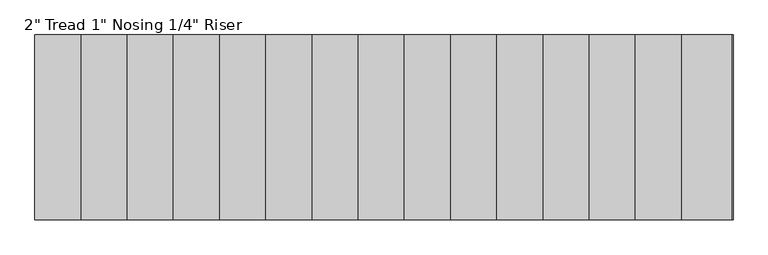
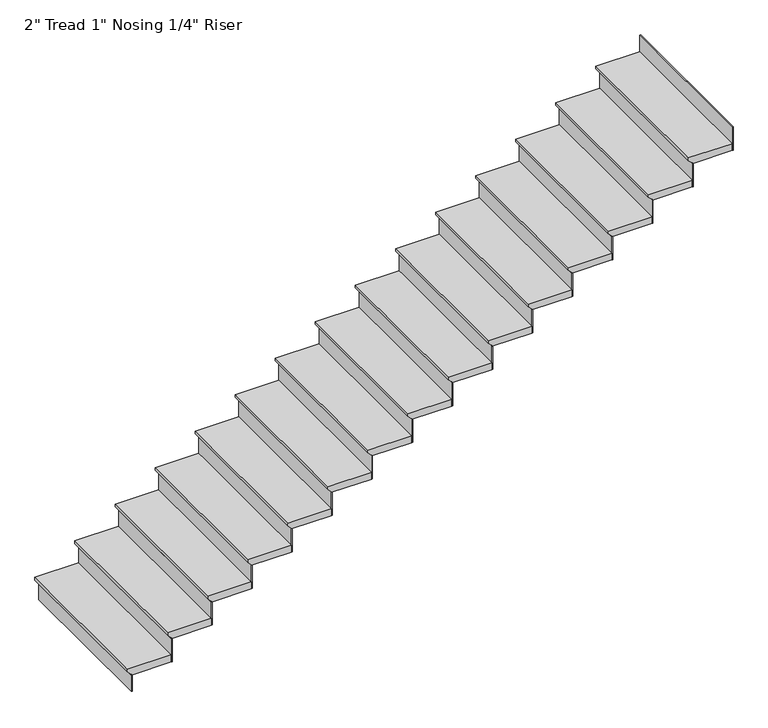
"""IFC4 building model written with IfcOpenShell, lengths in millimetres: stair flight geometry."""

import ifcopenshell
import ifcopenshell.guid

model = None  # the IFC model being written
_history = None  # IfcOwnerHistory: only IFC2X3 demands one
_inside = {}  # id of a spatial element -> (the spatial element, [elements in it])
_under = {}  # id of a project, library or spatial element -> (it, [spatial elements below it])
_declared = {}  # id of a project -> (the project, [libraries it declares])
_typed = {}  # id of a type object -> (the type object, [elements of that type])
_made_of = {}  # id of a material, layer set ... -> (it, [elements and type objects made of it])


def new_model(schema):
    """Start an empty IFC model of exactly this schema.

    Asked for "IFC4X3", IfcOpenShell would pick the latest addendum, in which some entities
    have other attributes; the version numbers below select the first issue.
    IFC2X3 requires an IfcOwnerHistory on every rooted entity: one is made here for all.
    """
    global model, _history
    if schema == "IFC4X3":
        model = ifcopenshell.file(schema_version=(4, 3, 0, 0))
    else:
        model = ifcopenshell.file(schema=schema)
    _inside.clear()
    _under.clear()
    _declared.clear()
    _typed.clear()
    _made_of.clear()
    _history = None
    if model.schema == "IFC2X3":
        org = make("IfcOrganization", Name="unknown")
        user = make(
            "IfcPersonAndOrganization",
            ThePerson=make("IfcPerson", FamilyName="unknown"),
            TheOrganization=org,
        )
        app = make(
            "IfcApplication",
            ApplicationDeveloper=org,
            Version="unknown",
            ApplicationFullName="unknown",
            ApplicationIdentifier="unknown",
        )
        _history = make(
            "IfcOwnerHistory",
            OwningUser=user,
            OwningApplication=app,
            ChangeAction="ADDED",
            CreationDate=0,
        )
    return model


def make(cls, **values):
    """One entity of the class cls with the attributes given. An attribute that is None is left unset."""
    return model.create_entity(
        cls, **{name: value for name, value in values.items() if value is not None}
    )


def rooted(cls, **values):
    """An entity with a GlobalId (a new one), such as an element, a storey or a relation."""
    return make(cls, GlobalId=ifcopenshell.guid.new(), OwnerHistory=_history, **values)


def si_unit(unit_type, name, prefix=None):
    """IfcSIUnit, for example si_unit("LENGTHUNIT", "METRE", prefix="MILLI")."""
    return make("IfcSIUnit", UnitType=unit_type, Prefix=prefix, Name=name)


def assignment(units):
    """IfcUnitAssignment: the units of a project."""
    return None if units is None else make("IfcUnitAssignment", Units=units)


def point(xyz):
    """IfcCartesianPoint."""
    return None if xyz is None else make("IfcCartesianPoint", Coordinates=xyz)


def direction(xyz):
    """IfcDirection."""
    return None if xyz is None else make("IfcDirection", DirectionRatios=xyz)


def frame(location, z_axis=None, x_axis=None):
    """IfcAxis2Placement3D, a coordinate frame: its origin and axes. An axis left out is left unset."""
    return make(
        "IfcAxis2Placement3D",
        Location=point(location),
        Axis=direction(z_axis),
        RefDirection=direction(x_axis),
    )


def origin():
    """The frame at (0, 0, 0) with its axes left unset."""
    return frame((0.0, 0.0, 0.0))


def place(relative_to, where):
    """IfcLocalPlacement: puts the frame where relative to a parent placement (None: the world)."""
    return make(
        "IfcLocalPlacement", PlacementRelTo=relative_to, RelativePlacement=where
    )


def context(
    kind, dimensions, precision=None, world=None, true_north=None, identifier=None
):
    """IfcGeometricRepresentationContext, for example the 3D "Model" context."""
    return make(
        "IfcGeometricRepresentationContext",
        ContextIdentifier=identifier,
        ContextType=kind,
        CoordinateSpaceDimension=dimensions,
        Precision=precision,
        WorldCoordinateSystem=world,
        TrueNorth=true_north,
    )


def project(units=None, contexts=None):
    """IfcProject with its units and contexts."""
    return rooted(
        "IfcProject",
        Name="project",
        RepresentationContexts=contexts,
        UnitsInContext=assignment(units),
    )


def spatial(cls, under=None, at=None, **own):
    """A site, building, storey or space (cls), placed at a placement, below another one or the project."""
    s = rooted(cls, ObjectPlacement=at, **own)
    if under is not None:
        _under.setdefault(under.id(), (under, []))[1].append(s)
    return s


def polyline(points):
    """IfcPolyline through the points."""
    return make("IfcPolyline", Points=[point(p) for p in points])


def outline(outer, holes=None, kind="AREA"):
    """IfcArbitraryClosedProfileDef: a profile drawn as a closed curve; with holes, ...WithVoids."""
    if holes is None:
        return make("IfcArbitraryClosedProfileDef", ProfileType=kind, OuterCurve=outer)
    return make(
        "IfcArbitraryProfileDefWithVoids",
        ProfileType=kind,
        OuterCurve=outer,
        InnerCurves=holes,
    )


def extrude(swept, where, along, depth):
    """IfcExtrudedAreaSolid: the profile swept, set in the frame where, extruded along a direction by depth."""
    return make(
        "IfcExtrudedAreaSolid",
        SweptArea=swept,
        Position=where,
        ExtrudedDirection=direction(along),
        Depth=depth,
    )


def shape(context_of_items, identifier, shape_type, items):
    """IfcShapeRepresentation: the items that make up one representation, for example the "Body"."""
    return make(
        "IfcShapeRepresentation",
        ContextOfItems=context_of_items,
        RepresentationIdentifier=identifier,
        RepresentationType=shape_type,
        Items=items,
    )


def source(mapping_origin, context_of_items, identifier, shape_type, items):
    """IfcRepresentationMap: a shape defined once, which mapped items show again and again."""
    return make(
        "IfcRepresentationMap",
        MappingOrigin=mapping_origin,
        MappedRepresentation=shape(context_of_items, identifier, shape_type, items),
    )


def transform(
    local_origin,
    x_axis=None,
    y_axis=None,
    z_axis=None,
    scale=None,
    scale2=None,
    scale3=None,
    uniform=True,
):
    """IfcCartesianTransformationOperator3D, or its non-uniform kind. x_axis, y_axis, z_axis: its Axis1, 2, 3."""
    if uniform:
        return make(
            "IfcCartesianTransformationOperator3D",
            Axis1=direction(x_axis),
            Axis2=direction(y_axis),
            LocalOrigin=point(local_origin),
            Scale=scale,
            Axis3=direction(z_axis),
        )
    return make(
        "IfcCartesianTransformationOperator3DnonUniform",
        Axis1=direction(x_axis),
        Axis2=direction(y_axis),
        LocalOrigin=point(local_origin),
        Scale=scale,
        Axis3=direction(z_axis),
        Scale2=scale2,
        Scale3=scale3,
    )


def mapped(mapping_source, mapping_target):
    """IfcMappedItem: shows the shape of a source again, moved by a transform."""
    return make(
        "IfcMappedItem", MappingSource=mapping_source, MappingTarget=mapping_target
    )


def made_of(thing, what):
    """Note that an element or type object is made of a material, layer set ...; save() writes the relation."""
    if what is not None:
        _made_of.setdefault(what.id(), (what, []))[1].append(thing)
    return thing


def element(
    cls,
    number,
    at=None,
    inside=None,
    cuts=None,
    type_object=None,
    material=None,
    context=None,
    identifier="Body",
    shape_type=None,
    held_by="IfcProductDefinitionShape",
    body=None,
    shapes=None,
    **own,
):
    """One element of the class cls, such as IfcWall. Its Tag is "e" and its number.

    at: its placement. inside: the storey or other place that contains it. cuts: it is an
    opening in that element (IfcRelVoidsElement). A single representation is given by context,
    identifier, shape_type and body (its items); several are given by shapes. held_by: the class
    of the entity that holds the representations. save() writes the other relations.
    """
    e = rooted(cls, Tag="e%d" % number, ObjectPlacement=at, **own)
    if body is not None:
        shapes = [shape(context, identifier, shape_type, body)]
    if shapes is not None:
        e.Representation = make(held_by, Representations=shapes)
    if inside is not None:
        _inside.setdefault(inside.id(), (inside, []))[1].append(e)
    if cuts is not None:
        rooted(
            "IfcRelVoidsElement", RelatingBuildingElement=cuts, RelatedOpeningElement=e
        )
    if type_object is not None:
        _typed.setdefault(type_object.id(), (type_object, []))[1].append(e)
    return made_of(e, material)


def aggregate(whole, parts):
    """IfcRelAggregates: a whole, such as a stair, and the parts it consists of."""
    return rooted("IfcRelAggregates", RelatingObject=whole, RelatedObjects=parts)


def save(model, path):
    """Write the relations noted so far, then the file.

    IfcRelAggregates (storeys below a building ...), IfcRelContainedInSpatialStructure (elements
    in a storey), IfcRelDefinesByType, IfcRelAssociatesMaterial and IfcRelDeclares: one each for
    every whole, place, type object, material and project.
    """
    for whole, parts in _under.values():
        aggregate(whole, parts)
    for where, things in _inside.values():
        rooted(
            "IfcRelContainedInSpatialStructure",
            RelatedElements=things,
            RelatingStructure=where,
        )
    for kind, things in _typed.values():
        rooted("IfcRelDefinesByType", RelatedObjects=things, RelatingType=kind)
    for what, things in _made_of.values():
        rooted("IfcRelAssociatesMaterial", RelatedObjects=things, RelatingMaterial=what)
    for by, libraries in _declared.values():
        rooted("IfcRelDeclares", RelatingContext=by, RelatedDefinitions=libraries)
    model.write(path)


def stair_flight_ad066452(model_context):
    return source(origin(), model_context, "Body", "SweptSolid", [
        extrude(outline(polyline([(-15830.55, 7308.0099268), (-15830.55, 7003.2099268), (-15849.6, 7003.2099268), (-15875.0, 7028.6099268), (-15881.35, 7028.6099268), (-15881.35, 7308.0099268), (-15830.55, 7308.0099268)])), frame((0.0, -14485.4558393, 0.0), z_axis=(0.0, 1.0, 0.0), x_axis=(0.0, 0.0, 1.0)), (0.0, 0.0, 1.0), 1117.6),
        extrude(outline(polyline([(7034.9599268, -14485.4558393), (7028.6099268, -14485.4558393), (7028.6099268, -13367.8558393), (7034.9599268, -13367.8558393), (7034.9599268, -14485.4558393)])), frame((0.0, 0.0, -16002.0), z_axis=(0.0, 0.0, 1.0), x_axis=(1.0, 0.0, 0.0)), (0.0, 0.0, 1.0), 120.65),
        extrude(outline(polyline([(7314.3599268, -14485.4558393), (7308.0099268, -14485.4558393), (7308.0099268, -13367.8558393), (7314.3599268, -13367.8558393), (7314.3599268, -14485.4558393)])), frame((0.0, 0.0, -15881.35), z_axis=(0.0, 0.0, 1.0), x_axis=(1.0, 0.0, 0.0)), (0.0, 0.0, 1.0), 171.45),
        extrude(outline(polyline([(-15659.1, 7587.4099268), (-15659.1, 7282.6099268), (-15678.15, 7282.6099268), (-15703.55, 7308.0099268), (-15709.9, 7308.0099268), (-15709.9, 7587.4099268), (-15659.1, 7587.4099268)])), frame((0.0, -14485.4558393, 0.0), z_axis=(0.0, 1.0, 0.0), x_axis=(0.0, 0.0, 1.0)), (0.0, 0.0, 1.0), 1117.6),
        extrude(outline(polyline([(7593.7599268, -14485.4558393), (7587.4099268, -14485.4558393), (7587.4099268, -13367.8558393), (7593.7599268, -13367.8558393), (7593.7599268, -14485.4558393)])), frame((0.0, 0.0, -15709.9), z_axis=(0.0, 0.0, 1.0), x_axis=(1.0, 0.0, 0.0)), (0.0, 0.0, 1.0), 171.45),
        extrude(outline(polyline([(-15487.65, 7866.8099268), (-15487.65, 7562.0099268), (-15506.7, 7562.0099268), (-15532.1, 7587.4099268), (-15538.45, 7587.4099268), (-15538.45, 7866.8099268), (-15487.65, 7866.8099268)])), frame((0.0, -14485.4558393, 0.0), z_axis=(0.0, 1.0, 0.0), x_axis=(0.0, 0.0, 1.0)), (0.0, 0.0, 1.0), 1117.6),
        extrude(outline(polyline([(7873.1599268, -14485.4558393), (7866.8099268, -14485.4558393), (7866.8099268, -13367.8558393), (7873.1599268, -13367.8558393), (7873.1599268, -14485.4558393)])), frame((0.0, 0.0, -15538.45), z_axis=(0.0, 0.0, 1.0), x_axis=(1.0, 0.0, 0.0)), (0.0, 0.0, 1.0), 171.45),
        extrude(outline(polyline([(-15316.2, 8146.2099268), (-15316.2, 7841.4099268), (-15335.25, 7841.4099268), (-15360.65, 7866.8099268), (-15367.0, 7866.8099268), (-15367.0, 8146.2099268), (-15316.2, 8146.2099268)])), frame((0.0, -14485.4558393, 0.0), z_axis=(0.0, 1.0, 0.0), x_axis=(0.0, 0.0, 1.0)), (0.0, 0.0, 1.0), 1117.6),
        extrude(outline(polyline([(8152.5599268, -14485.4558393), (8146.2099268, -14485.4558393), (8146.2099268, -13367.8558393), (8152.5599268, -13367.8558393), (8152.5599268, -14485.4558393)])), frame((0.0, 0.0, -15367.0), z_axis=(0.0, 0.0, 1.0), x_axis=(1.0, 0.0, 0.0)), (0.0, 0.0, 1.0), 171.45),
        extrude(outline(polyline([(-15144.75, 8425.6099268), (-15144.75, 8120.8099268), (-15163.8, 8120.8099268), (-15189.2, 8146.2099268), (-15195.55, 8146.2099268), (-15195.55, 8425.6099268), (-15144.75, 8425.6099268)])), frame((0.0, -14485.4558393, 0.0), z_axis=(0.0, 1.0, 0.0), x_axis=(0.0, 0.0, 1.0)), (0.0, 0.0, 1.0), 1117.6),
        extrude(outline(polyline([(8431.9599268, -14485.4558393), (8425.6099268, -14485.4558393), (8425.6099268, -13367.8558393), (8431.9599268, -13367.8558393), (8431.9599268, -14485.4558393)])), frame((0.0, 0.0, -15195.55), z_axis=(0.0, 0.0, 1.0), x_axis=(1.0, 0.0, 0.0)), (0.0, 0.0, 1.0), 171.45),
        extrude(outline(polyline([(-14973.3, 8705.0099268), (-14973.3, 8400.2099268), (-14992.35, 8400.2099268), (-15017.75, 8425.6099268), (-15024.1, 8425.6099268), (-15024.1, 8705.0099268), (-14973.3, 8705.0099268)])), frame((0.0, -14485.4558393, 0.0), z_axis=(0.0, 1.0, 0.0), x_axis=(0.0, 0.0, 1.0)), (0.0, 0.0, 1.0), 1117.6),
        extrude(outline(polyline([(8711.3599268, -14485.4558393), (8705.0099268, -14485.4558393), (8705.0099268, -13367.8558393), (8711.3599268, -13367.8558393), (8711.3599268, -14485.4558393)])), frame((0.0, 0.0, -15024.1), z_axis=(0.0, 0.0, 1.0), x_axis=(1.0, 0.0, 0.0)), (0.0, 0.0, 1.0), 171.45),
        extrude(outline(polyline([(-14801.85, 8984.4099268), (-14801.85, 8679.6099268), (-14820.9, 8679.6099268), (-14846.3, 8705.0099268), (-14852.65, 8705.0099268), (-14852.65, 8984.4099268), (-14801.85, 8984.4099268)])), frame((0.0, -14485.4558393, 0.0), z_axis=(0.0, 1.0, 0.0), x_axis=(0.0, 0.0, 1.0)), (0.0, 0.0, 1.0), 1117.6),
        extrude(outline(polyline([(8990.7599268, -14485.4558393), (8984.4099268, -14485.4558393), (8984.4099268, -13367.8558393), (8990.7599268, -13367.8558393), (8990.7599268, -14485.4558393)])), frame((0.0, 0.0, -14852.65), z_axis=(0.0, 0.0, 1.0), x_axis=(1.0, 0.0, 0.0)), (0.0, 0.0, 1.0), 171.45),
        extrude(outline(polyline([(-14630.4, 9263.8099268), (-14630.4, 8959.0099268), (-14649.45, 8959.0099268), (-14674.85, 8984.4099268), (-14681.2, 8984.4099268), (-14681.2, 9263.8099268), (-14630.4, 9263.8099268)])), frame((0.0, -14485.4558393, 0.0), z_axis=(0.0, 1.0, 0.0), x_axis=(0.0, 0.0, 1.0)), (0.0, 0.0, 1.0), 1117.6),
        extrude(outline(polyline([(9270.1599268, -14485.4558393), (9263.8099268, -14485.4558393), (9263.8099268, -13367.8558393), (9270.1599268, -13367.8558393), (9270.1599268, -14485.4558393)])), frame((0.0, 0.0, -14681.2), z_axis=(0.0, 0.0, 1.0), x_axis=(1.0, 0.0, 0.0)), (0.0, 0.0, 1.0), 171.45),
        extrude(outline(polyline([(-14458.95, 9543.2099268), (-14458.95, 9238.4099268), (-14478.0, 9238.4099268), (-14503.4, 9263.8099268), (-14509.75, 9263.8099268), (-14509.75, 9543.2099268), (-14458.95, 9543.2099268)])), frame((0.0, -14485.4558393, 0.0), z_axis=(0.0, 1.0, 0.0), x_axis=(0.0, 0.0, 1.0)), (0.0, 0.0, 1.0), 1117.6),
        extrude(outline(polyline([(9549.5599268, -14485.4558393), (9543.2099268, -14485.4558393), (9543.2099268, -13367.8558393), (9549.5599268, -13367.8558393), (9549.5599268, -14485.4558393)])), frame((0.0, 0.0, -14509.75), z_axis=(0.0, 0.0, 1.0), x_axis=(1.0, 0.0, 0.0)), (0.0, 0.0, 1.0), 171.45),
        extrude(outline(polyline([(-14287.5, 9822.6099268), (-14287.5, 9517.8099268), (-14306.55, 9517.8099268), (-14331.95, 9543.2099268), (-14338.3, 9543.2099268), (-14338.3, 9822.6099268), (-14287.5, 9822.6099268)])), frame((0.0, -14485.4558393, 0.0), z_axis=(0.0, 1.0, 0.0), x_axis=(0.0, 0.0, 1.0)), (0.0, 0.0, 1.0), 1117.6),
        extrude(outline(polyline([(9828.9599268, -14485.4558393), (9822.6099268, -14485.4558393), (9822.6099268, -13367.8558393), (9828.9599268, -13367.8558393), (9828.9599268, -14485.4558393)])), frame((0.0, 0.0, -14338.3), z_axis=(0.0, 0.0, 1.0), x_axis=(1.0, 0.0, 0.0)), (0.0, 0.0, 1.0), 171.45),
        extrude(outline(polyline([(-14116.05, 10102.0099268), (-14116.05, 9797.2099268), (-14135.1, 9797.2099268), (-14160.5, 9822.6099268), (-14166.85, 9822.6099268), (-14166.85, 10102.0099268), (-14116.05, 10102.0099268)])), frame((0.0, -14485.4558393, 0.0), z_axis=(0.0, 1.0, 0.0), x_axis=(0.0, 0.0, 1.0)), (0.0, 0.0, 1.0), 1117.6),
        extrude(outline(polyline([(10108.3599268, -14485.4558393), (10102.0099268, -14485.4558393), (10102.0099268, -13367.8558393), (10108.3599268, -13367.8558393), (10108.3599268, -14485.4558393)])), frame((0.0, 0.0, -14166.85), z_axis=(0.0, 0.0, 1.0), x_axis=(1.0, 0.0, 0.0)), (0.0, 0.0, 1.0), 171.45),
        extrude(outline(polyline([(-13944.6, 10381.4099268), (-13944.6, 10076.6099268), (-13963.65, 10076.6099268), (-13989.05, 10102.0099268), (-13995.4, 10102.0099268), (-13995.4, 10381.4099268), (-13944.6, 10381.4099268)])), frame((0.0, -14485.4558393, 0.0), z_axis=(0.0, 1.0, 0.0), x_axis=(0.0, 0.0, 1.0)), (0.0, 0.0, 1.0), 1117.6),
        extrude(outline(polyline([(10387.7599268, -14485.4558393), (10381.4099268, -14485.4558393), (10381.4099268, -13367.8558393), (10387.7599268, -13367.8558393), (10387.7599268, -14485.4558393)])), frame((0.0, 0.0, -13995.4), z_axis=(0.0, 0.0, 1.0), x_axis=(1.0, 0.0, 0.0)), (0.0, 0.0, 1.0), 171.45),
        extrude(outline(polyline([(-13773.15, 10660.8099268), (-13773.15, 10356.0099268), (-13792.2, 10356.0099268), (-13817.6, 10381.4099268), (-13823.95, 10381.4099268), (-13823.95, 10660.8099268), (-13773.15, 10660.8099268)])), frame((0.0, -14485.4558393, 0.0), z_axis=(0.0, 1.0, 0.0), x_axis=(0.0, 0.0, 1.0)), (0.0, 0.0, 1.0), 1117.6),
        extrude(outline(polyline([(10667.1599268, -14485.4558393), (10660.8099268, -14485.4558393), (10660.8099268, -13367.8558393), (10667.1599268, -13367.8558393), (10667.1599268, -14485.4558393)])), frame((0.0, 0.0, -13823.95), z_axis=(0.0, 0.0, 1.0), x_axis=(1.0, 0.0, 0.0)), (0.0, 0.0, 1.0), 171.45),
        extrude(outline(polyline([(-13601.7, 10940.2099268), (-13601.7, 10635.4099268), (-13620.75, 10635.4099268), (-13646.15, 10660.8099268), (-13652.5, 10660.8099268), (-13652.5, 10940.2099268), (-13601.7, 10940.2099268)])), frame((0.0, -14485.4558393, 0.0), z_axis=(0.0, 1.0, 0.0), x_axis=(0.0, 0.0, 1.0)), (0.0, 0.0, 1.0), 1117.6),
        extrude(outline(polyline([(10946.5599268, -14485.4558393), (10940.2099268, -14485.4558393), (10940.2099268, -13367.8558393), (10946.5599268, -13367.8558393), (10946.5599268, -14485.4558393)])), frame((0.0, 0.0, -13652.5), z_axis=(0.0, 0.0, 1.0), x_axis=(1.0, 0.0, 0.0)), (0.0, 0.0, 1.0), 171.45),
        extrude(outline(polyline([(11225.9599268, -14485.4558393), (11219.6099268, -14485.4558393), (11219.6099268, -13367.8558393), (11225.9599268, -13367.8558393), (11225.9599268, -14485.4558393)])), frame((0.0, 0.0, -13481.05), z_axis=(0.0, 0.0, 1.0), x_axis=(1.0, 0.0, 0.0)), (0.0, 0.0, 1.0), 171.45),
        extrude(outline(polyline([(-13430.25, 11219.6099268), (-13430.25, 10914.8099268), (-13449.3, 10914.8099268), (-13474.7, 10940.2099268), (-13481.05, 10940.2099268), (-13481.05, 11219.6099268), (-13430.25, 11219.6099268)])), frame((0.0, -14485.4558393, 0.0), z_axis=(0.0, 1.0, 0.0), x_axis=(0.0, 0.0, 1.0)), (0.0, 0.0, 1.0), 1117.6),
    ])


if __name__ == "__main__":
    model = new_model("IFC4")
    model_context = context("Model", 3, world=origin())
    ifc_project = project(units=[si_unit("LENGTHUNIT", "METRE", prefix="MILLI")], contexts=[model_context])
    site = spatial("IfcSite", under=ifc_project)
    building = spatial("IfcBuilding", under=site)
    placement = place(None, origin())
    stair_flight_shape = stair_flight_ad066452(model_context)
    element("IfcStairFlight", 1, ObjectType="2\" Tread 1\" Nosing 1/4\" Riser", at=placement, inside=building, context=model_context, shape_type="MappedRepresentation", body=[
        mapped(stair_flight_shape, transform((0.0, 0.0, 0.0), x_axis=(1.0, 0.0, 0.0), y_axis=(0.0, 1.0, 0.0), z_axis=(0.0, 0.0, 1.0))),
    ])
    save(model, "model.ifc")
